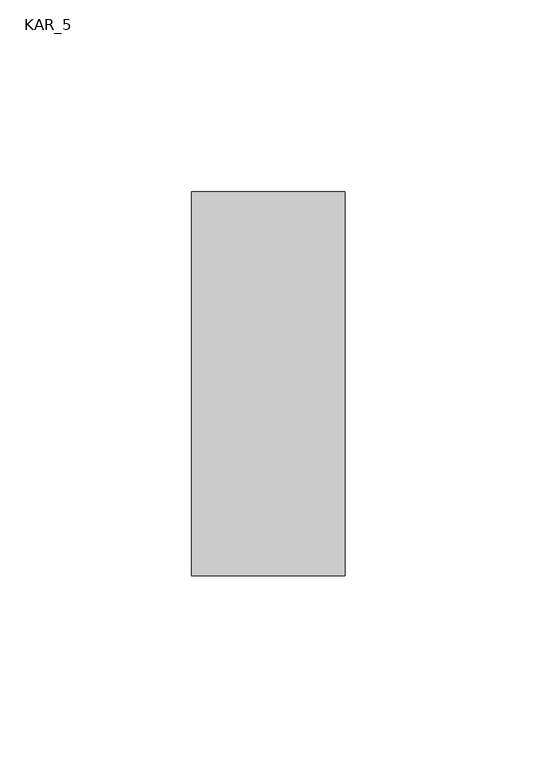
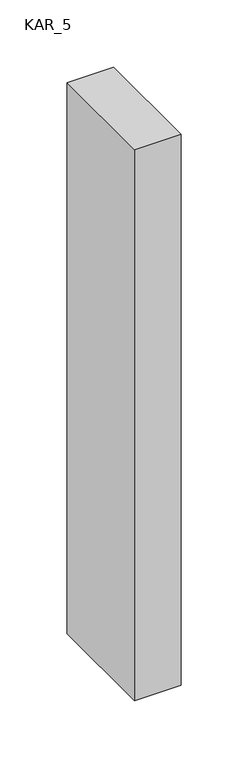
"""IFC4 building model written with IfcOpenShell, lengths in millimetres: proxy geometry, KAR_5."""

import ifcopenshell
import ifcopenshell.guid

model = None  # the IFC model being written
_history = None  # IfcOwnerHistory: only IFC2X3 demands one
_inside = {}  # id of a spatial element -> (the spatial element, [elements in it])
_under = {}  # id of a project, library or spatial element -> (it, [spatial elements below it])
_declared = {}  # id of a project -> (the project, [libraries it declares])
_typed = {}  # id of a type object -> (the type object, [elements of that type])
_made_of = {}  # id of a material, layer set ... -> (it, [elements and type objects made of it])


def new_model(schema):
    """Start an empty IFC model of exactly this schema.

    Asked for "IFC4X3", IfcOpenShell would pick the latest addendum, in which some entities
    have other attributes; the version numbers below select the first issue.
    IFC2X3 requires an IfcOwnerHistory on every rooted entity: one is made here for all.
    """
    global model, _history
    if schema == "IFC4X3":
        model = ifcopenshell.file(schema_version=(4, 3, 0, 0))
    else:
        model = ifcopenshell.file(schema=schema)
    _inside.clear()
    _under.clear()
    _declared.clear()
    _typed.clear()
    _made_of.clear()
    _history = None
    if model.schema == "IFC2X3":
        org = make("IfcOrganization", Name="unknown")
        user = make(
            "IfcPersonAndOrganization",
            ThePerson=make("IfcPerson", FamilyName="unknown"),
            TheOrganization=org,
        )
        app = make(
            "IfcApplication",
            ApplicationDeveloper=org,
            Version="unknown",
            ApplicationFullName="unknown",
            ApplicationIdentifier="unknown",
        )
        _history = make(
            "IfcOwnerHistory",
            OwningUser=user,
            OwningApplication=app,
            ChangeAction="ADDED",
            CreationDate=0,
        )
    return model


def make(cls, **values):
    """One entity of the class cls with the attributes given. An attribute that is None is left unset."""
    return model.create_entity(
        cls, **{name: value for name, value in values.items() if value is not None}
    )


def rooted(cls, **values):
    """An entity with a GlobalId (a new one), such as an element, a storey or a relation."""
    return make(cls, GlobalId=ifcopenshell.guid.new(), OwnerHistory=_history, **values)


def si_unit(unit_type, name, prefix=None):
    """IfcSIUnit, for example si_unit("LENGTHUNIT", "METRE", prefix="MILLI")."""
    return make("IfcSIUnit", UnitType=unit_type, Prefix=prefix, Name=name)


def assignment(units):
    """IfcUnitAssignment: the units of a project."""
    return None if units is None else make("IfcUnitAssignment", Units=units)


def point(xyz):
    """IfcCartesianPoint."""
    return None if xyz is None else make("IfcCartesianPoint", Coordinates=xyz)


def direction(xyz):
    """IfcDirection."""
    return None if xyz is None else make("IfcDirection", DirectionRatios=xyz)


def frame(location, z_axis=None, x_axis=None):
    """IfcAxis2Placement3D, a coordinate frame: its origin and axes. An axis left out is left unset."""
    return make(
        "IfcAxis2Placement3D",
        Location=point(location),
        Axis=direction(z_axis),
        RefDirection=direction(x_axis),
    )


def origin():
    """The frame at (0, 0, 0) with its axes left unset."""
    return frame((0.0, 0.0, 0.0))


def place(relative_to, where):
    """IfcLocalPlacement: puts the frame where relative to a parent placement (None: the world)."""
    return make(
        "IfcLocalPlacement", PlacementRelTo=relative_to, RelativePlacement=where
    )


def context(
    kind, dimensions, precision=None, world=None, true_north=None, identifier=None
):
    """IfcGeometricRepresentationContext, for example the 3D "Model" context."""
    return make(
        "IfcGeometricRepresentationContext",
        ContextIdentifier=identifier,
        ContextType=kind,
        CoordinateSpaceDimension=dimensions,
        Precision=precision,
        WorldCoordinateSystem=world,
        TrueNorth=true_north,
    )


def project(units=None, contexts=None):
    """IfcProject with its units and contexts."""
    return rooted(
        "IfcProject",
        Name="project",
        RepresentationContexts=contexts,
        UnitsInContext=assignment(units),
    )


def spatial(cls, under=None, at=None, **own):
    """A site, building, storey or space (cls), placed at a placement, below another one or the project."""
    s = rooted(cls, ObjectPlacement=at, **own)
    if under is not None:
        _under.setdefault(under.id(), (under, []))[1].append(s)
    return s


def polyline(points):
    """IfcPolyline through the points."""
    return make("IfcPolyline", Points=[point(p) for p in points])


def outline(outer, holes=None, kind="AREA"):
    """IfcArbitraryClosedProfileDef: a profile drawn as a closed curve; with holes, ...WithVoids."""
    if holes is None:
        return make("IfcArbitraryClosedProfileDef", ProfileType=kind, OuterCurve=outer)
    return make(
        "IfcArbitraryProfileDefWithVoids",
        ProfileType=kind,
        OuterCurve=outer,
        InnerCurves=holes,
    )


def extrude(swept, where, along, depth):
    """IfcExtrudedAreaSolid: the profile swept, set in the frame where, extruded along a direction by depth."""
    return make(
        "IfcExtrudedAreaSolid",
        SweptArea=swept,
        Position=where,
        ExtrudedDirection=direction(along),
        Depth=depth,
    )


def shape(context_of_items, identifier, shape_type, items):
    """IfcShapeRepresentation: the items that make up one representation, for example the "Body"."""
    return make(
        "IfcShapeRepresentation",
        ContextOfItems=context_of_items,
        RepresentationIdentifier=identifier,
        RepresentationType=shape_type,
        Items=items,
    )


def source(mapping_origin, context_of_items, identifier, shape_type, items):
    """IfcRepresentationMap: a shape defined once, which mapped items show again and again."""
    return make(
        "IfcRepresentationMap",
        MappingOrigin=mapping_origin,
        MappedRepresentation=shape(context_of_items, identifier, shape_type, items),
    )


def transform(
    local_origin,
    x_axis=None,
    y_axis=None,
    z_axis=None,
    scale=None,
    scale2=None,
    scale3=None,
    uniform=True,
):
    """IfcCartesianTransformationOperator3D, or its non-uniform kind. x_axis, y_axis, z_axis: its Axis1, 2, 3."""
    if uniform:
        return make(
            "IfcCartesianTransformationOperator3D",
            Axis1=direction(x_axis),
            Axis2=direction(y_axis),
            LocalOrigin=point(local_origin),
            Scale=scale,
            Axis3=direction(z_axis),
        )
    return make(
        "IfcCartesianTransformationOperator3DnonUniform",
        Axis1=direction(x_axis),
        Axis2=direction(y_axis),
        LocalOrigin=point(local_origin),
        Scale=scale,
        Axis3=direction(z_axis),
        Scale2=scale2,
        Scale3=scale3,
    )


def mapped(mapping_source, mapping_target):
    """IfcMappedItem: shows the shape of a source again, moved by a transform."""
    return make(
        "IfcMappedItem", MappingSource=mapping_source, MappingTarget=mapping_target
    )


def made_of(thing, what):
    """Note that an element or type object is made of a material, layer set ...; save() writes the relation."""
    if what is not None:
        _made_of.setdefault(what.id(), (what, []))[1].append(thing)
    return thing


def element(
    cls,
    number,
    at=None,
    inside=None,
    cuts=None,
    type_object=None,
    material=None,
    context=None,
    identifier="Body",
    shape_type=None,
    held_by="IfcProductDefinitionShape",
    body=None,
    shapes=None,
    **own,
):
    """One element of the class cls, such as IfcWall. Its Tag is "e" and its number.

    at: its placement. inside: the storey or other place that contains it. cuts: it is an
    opening in that element (IfcRelVoidsElement). A single representation is given by context,
    identifier, shape_type and body (its items); several are given by shapes. held_by: the class
    of the entity that holds the representations. save() writes the other relations.
    """
    e = rooted(cls, Tag="e%d" % number, ObjectPlacement=at, **own)
    if body is not None:
        shapes = [shape(context, identifier, shape_type, body)]
    if shapes is not None:
        e.Representation = make(held_by, Representations=shapes)
    if inside is not None:
        _inside.setdefault(inside.id(), (inside, []))[1].append(e)
    if cuts is not None:
        rooted(
            "IfcRelVoidsElement", RelatingBuildingElement=cuts, RelatedOpeningElement=e
        )
    if type_object is not None:
        _typed.setdefault(type_object.id(), (type_object, []))[1].append(e)
    return made_of(e, material)


def aggregate(whole, parts):
    """IfcRelAggregates: a whole, such as a stair, and the parts it consists of."""
    return rooted("IfcRelAggregates", RelatingObject=whole, RelatedObjects=parts)


def save(model, path):
    """Write the relations noted so far, then the file.

    IfcRelAggregates (storeys below a building ...), IfcRelContainedInSpatialStructure (elements
    in a storey), IfcRelDefinesByType, IfcRelAssociatesMaterial and IfcRelDeclares: one each for
    every whole, place, type object, material and project.
    """
    for whole, parts in _under.values():
        aggregate(whole, parts)
    for where, things in _inside.values():
        rooted(
            "IfcRelContainedInSpatialStructure",
            RelatedElements=things,
            RelatingStructure=where,
        )
    for kind, things in _typed.values():
        rooted("IfcRelDefinesByType", RelatedObjects=things, RelatingType=kind)
    for what, things in _made_of.values():
        rooted("IfcRelAssociatesMaterial", RelatedObjects=things, RelatingMaterial=what)
    for by, libraries in _declared.values():
        rooted("IfcRelDeclares", RelatingContext=by, RelatedDefinitions=libraries)
    model.write(path)


def kar_5_c79514ef(model_context):
    return source(origin(), model_context, "Body", "SweptSolid", [
        extrude(outline(polyline([(40.0, 100.0), (40.0, 0.0), (0.0, 0.0), (0.0, 100.0), (40.0, 100.0)])), frame((0.0, 0.0, 1700.0), z_axis=(0.0, 0.0, 1.0), x_axis=(1.0, 0.0, 0.0)), (0.0, 0.0, 1.0), 500.0),
    ])


if __name__ == "__main__":
    model = new_model("IFC4")
    model_context = context("Model", 3, world=origin())
    ifc_project = project(units=[si_unit("LENGTHUNIT", "METRE", prefix="MILLI")], contexts=[model_context])
    site = spatial("IfcSite", under=ifc_project)
    building = spatial("IfcBuilding", under=site)
    placement = place(None, origin())
    kar_5_shape = kar_5_c79514ef(model_context)
    element("IfcBuildingElementProxy", 1, Name="KAR_5", ObjectType="KAR_5", at=placement, inside=building, context=model_context, shape_type="MappedRepresentation", body=[
        mapped(kar_5_shape, transform((0.0, 0.0, 0.0), x_axis=(1.0, 0.0, 0.0), y_axis=(0.0, 1.0, 0.0), z_axis=(0.0, 0.0, 1.0))),
    ])
    save(model, "model.ifc")
